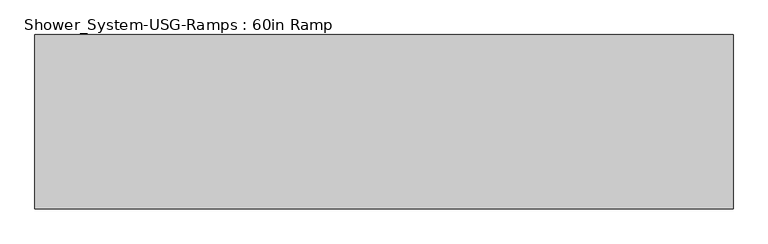
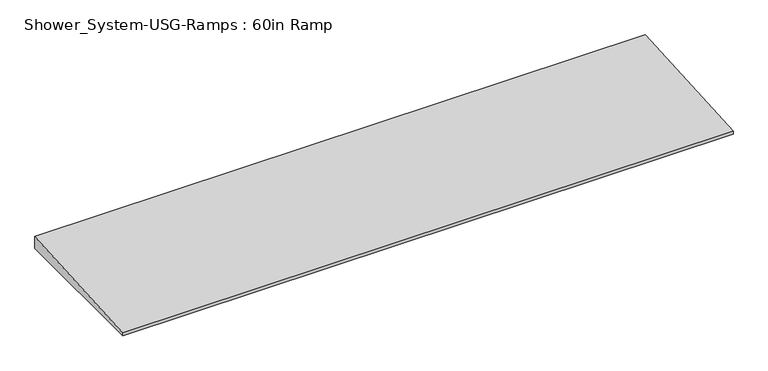
"""IFC4 building model written with IfcOpenShell, lengths in millimetres: proxy geometry, Shower_System-USG-Ramps : 60in Ramp."""

from ifc_helpers import new_model, si_unit, frame, origin, place, context, project, spatial, polyline, outline, extrude, source, transform, mapped, element, save


def shower_system_usg_ramps_60in_ramp_24806fcc(model_context):
    return source(origin(), model_context, "Body", "SweptSolid", [
        extrude(outline(polyline([(-152.4, 6.35), (152.4, 25.4), (152.4, 0.0), (-152.4, 0.0), (-152.4, 6.35)])), frame((-609.6, 0.0, 0.0), z_axis=(1.0, 0.0, 0.0), x_axis=(0.0, 1.0, 0.0)), (0.0, 0.0, 1.0), 1219.2),
    ])


if __name__ == "__main__":
    model = new_model("IFC4")
    model_context = context("Model", 3, world=origin())
    ifc_project = project(units=[si_unit("LENGTHUNIT", "METRE", prefix="MILLI")], contexts=[model_context])
    site = spatial("IfcSite", under=ifc_project)
    building = spatial("IfcBuilding", under=site)
    placement = place(None, origin())
    shower_system_usg_ramps_60in_ramp_shape = shower_system_usg_ramps_60in_ramp_24806fcc(model_context)
    element("IfcBuildingElementProxy", 1, Name="Shower_System-USG-Ramps : 60in Ramp", ObjectType="Shower_System-USG-Ramps : 60in Ramp", at=placement, inside=building, context=model_context, shape_type="MappedRepresentation", body=[
        mapped(shower_system_usg_ramps_60in_ramp_shape, transform((0.0, 0.0, 0.0), x_axis=(1.0, 0.0, 0.0), y_axis=(0.0, 1.0, 0.0), z_axis=(0.0, 0.0, 1.0))),
    ])
    save(model, "model.ifc")
